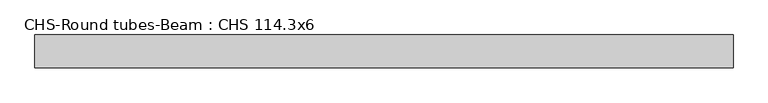
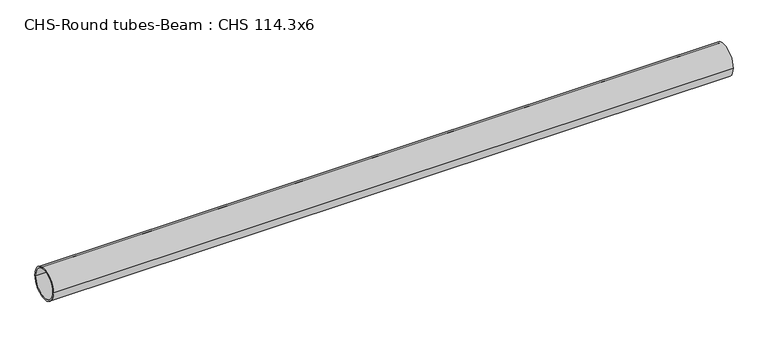
"""IFC4 building model written with IfcOpenShell, lengths in millimetres: beam geometry, CHS-Round tubes-Beam : CHS 114.3x6."""

from ifc_helpers import new_model, si_unit, point, frame, origin, origin_2d, place, context, project, spatial, circle_curve, trimmed, segment, composite_curve, outline, extrude, source, transform, mapped, element, save


def chs_round_tubes_beam_chs_114_3x6_bcc08e6d(model_context):
    return source(origin(), model_context, "Body", "SweptSolid", [
        extrude(outline(composite_curve([segment(trimmed(circle_curve(origin_2d(), 57.15), [point((57.15, 0.0))], [point((-57.15, 0.0))], False, "CARTESIAN"), True, "CONTINUOUS"), segment(trimmed(circle_curve(origin_2d(), 57.15), [point((-57.15, 0.0))], [point((57.15, 0.0))], False, "CARTESIAN"), True, "CONTINUOUS")], self_intersect=False), holes=[composite_curve([segment(trimmed(circle_curve(origin_2d(), 51.15), [point((51.15, 0.0))], [point((-51.15, 0.0))], True, "CARTESIAN"), True, "CONTINUOUS"), segment(trimmed(circle_curve(origin_2d(), 51.15), [point((-51.15, 0.0))], [point((51.15, 0.0))], True, "CARTESIAN"), True, "CONTINUOUS")], self_intersect=False)]), frame((-1218.5379148, 0.0, 0.0), z_axis=(1.0, 0.0, 0.0), x_axis=(0.0, 1.0, 0.0)), (0.0, 0.0, 1.0), 2429.6206533),
    ])


if __name__ == "__main__":
    model = new_model("IFC4")
    model_context = context("Model", 3, world=origin())
    ifc_project = project(units=[si_unit("LENGTHUNIT", "METRE", prefix="MILLI")], contexts=[model_context])
    site = spatial("IfcSite", under=ifc_project)
    building = spatial("IfcBuilding", under=site)
    placement = place(None, origin())
    chs_round_tubes_beam_chs_114_3x6_shape = chs_round_tubes_beam_chs_114_3x6_bcc08e6d(model_context)
    element("IfcBeam", 1, ObjectType="CHS-Round tubes-Beam : CHS 114.3x6", at=placement, inside=building, context=model_context, shape_type="MappedRepresentation", body=[
        mapped(chs_round_tubes_beam_chs_114_3x6_shape, transform((0.0, 0.0, 0.0), x_axis=(1.0, 0.0, 0.0), y_axis=(0.0, 1.0, 0.0), z_axis=(0.0, 0.0, 1.0))),
    ])
    save(model, "model.ifc")
